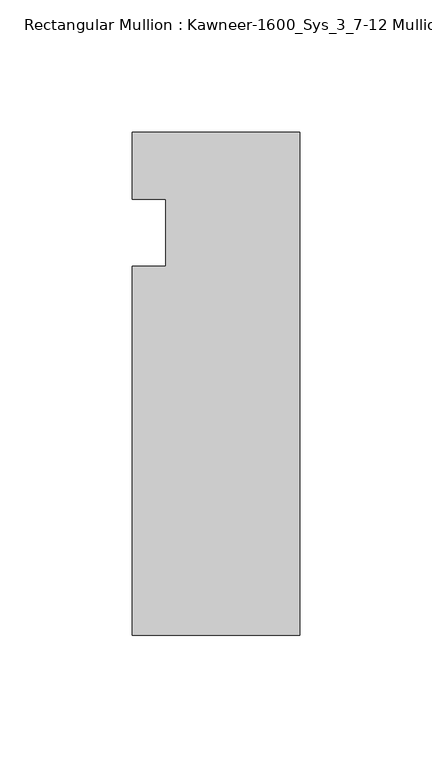
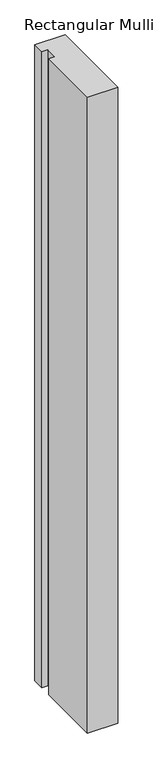
"""IFC4 building model written with IfcOpenShell, lengths in millimetres: member geometry, Rectangular Mullion : Kawneer-1600_Sys_3_7-12 Mullion_Head."""

from ifc_helpers import new_model, si_unit, frame, origin, place, context, project, spatial, polyline, outline, extrude, source, transform, mapped, element, save


def rectangular_mullion_kawneer_1600_sys_3_7_12_mullion_head_40a9a15c(model_context):
    return source(origin(), model_context, "Body", "SweptSolid", [
        extrude(outline(polyline([(-63.5, -152.4), (-63.5, -12.7), (-50.7982296, -12.7), (-50.7982296, 12.7), (-63.5, 12.7), (-63.5, 38.1), (0.0, 38.1), (0.0, -152.4), (-63.5, -152.4)])), frame((0.0, 0.0, -1409.7), z_axis=(0.0, 0.0, 1.0), x_axis=(1.0, 0.0, 0.0)), (0.0, 0.0, 1.0), 1409.7),
    ])


if __name__ == "__main__":
    model = new_model("IFC4")
    model_context = context("Model", 3, world=origin())
    ifc_project = project(units=[si_unit("LENGTHUNIT", "METRE", prefix="MILLI")], contexts=[model_context])
    site = spatial("IfcSite", under=ifc_project)
    building = spatial("IfcBuilding", under=site)
    placement = place(None, origin())
    rectangular_mullion_kawneer_1600_sys_3_7_12_mullion_head_shape = rectangular_mullion_kawneer_1600_sys_3_7_12_mullion_head_40a9a15c(model_context)
    element("IfcMember", 1, ObjectType="Rectangular Mullion : Kawneer-1600_Sys_3_7-12 Mullion_Head", at=placement, inside=building, context=model_context, shape_type="MappedRepresentation", body=[
        mapped(rectangular_mullion_kawneer_1600_sys_3_7_12_mullion_head_shape, transform((0.0, 0.0, 0.0), x_axis=(1.0, 0.0, 0.0), y_axis=(0.0, 1.0, 0.0), z_axis=(0.0, 0.0, 1.0))),
    ])
    save(model, "model.ifc")
